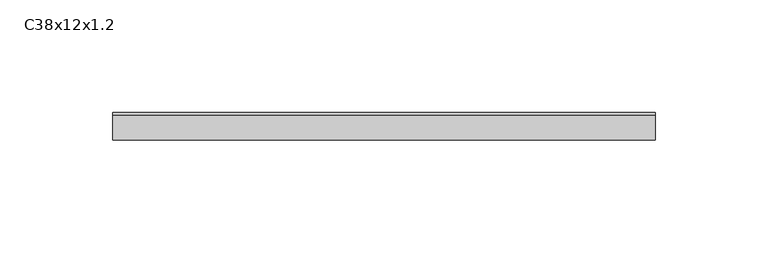
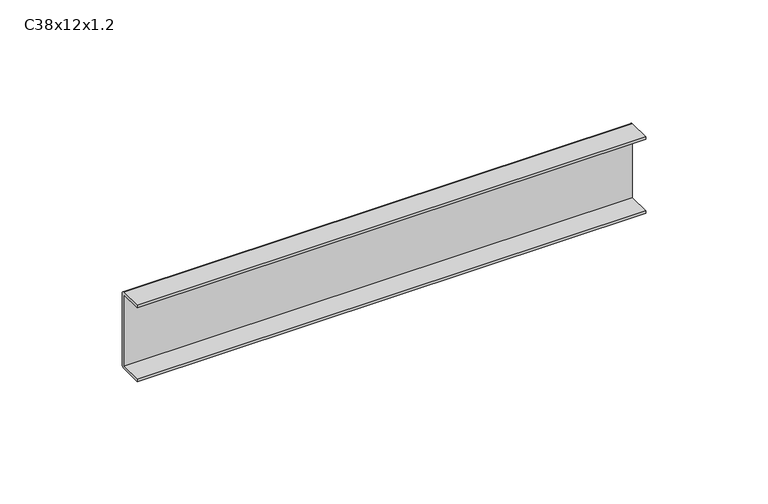
"""IFC4 building model written with IfcOpenShell, lengths in millimetres: proxy geometry, C38x12x1.2."""

from ifc_helpers import new_model, si_unit, point, frame, frame_2d, origin, place, context, project, spatial, polyline, circle_curve, trimmed, segment, composite_curve, outline, extrude, source, transform, mapped, element, save


def c38x12x1_2_69cb9471(model_context):
    return source(origin(), model_context, "Body", "SweptSolid", [
        extrude(outline(composite_curve([segment(polyline([(-6.0, 36.8), (-6.0, 38.0), (4.8, 38.0)]), True, "CONTINUOUS"), segment(trimmed(circle_curve(frame_2d((4.8, 36.8)), 1.2), [point((4.8, 38.0))], [point((6.0, 36.8))], False, "CARTESIAN"), True, "CONTINUOUS"), segment(polyline([(6.0, 36.8), (6.0, 1.2)]), True, "CONTINUOUS"), segment(trimmed(circle_curve(frame_2d((4.8, 1.2)), 1.2), [point((6.0, 1.2))], [point((4.8, 0.0))], False, "CARTESIAN"), True, "CONTINUOUS"), segment(polyline([(4.8, 0.0), (-6.0, 0.0), (-6.0, 1.2), (4.8, 1.2), (4.8, 36.8), (-6.0, 36.8)]), True, "CONTINUOUS")], self_intersect=False)), frame((0.0, 0.0, 0.0), z_axis=(1.0, 0.0, 0.0), x_axis=(0.0, 1.0, 0.0)), (0.0, 0.0, 1.0), 240.0),
    ])


if __name__ == "__main__":
    model = new_model("IFC4")
    model_context = context("Model", 3, world=origin())
    ifc_project = project(units=[si_unit("LENGTHUNIT", "METRE", prefix="MILLI")], contexts=[model_context])
    site = spatial("IfcSite", under=ifc_project)
    building = spatial("IfcBuilding", under=site)
    placement = place(None, origin())
    c38x12x1_2_shape = c38x12x1_2_69cb9471(model_context)
    element("IfcBuildingElementProxy", 1, Name="C38x12x1.2", ObjectType="C38x12x1.2", at=placement, inside=building, context=model_context, shape_type="MappedRepresentation", body=[
        mapped(c38x12x1_2_shape, transform((0.0, 0.0, 0.0), x_axis=(1.0, 0.0, 0.0), y_axis=(0.0, 1.0, 0.0), z_axis=(0.0, 0.0, 1.0))),
    ])
    save(model, "model.ifc")
